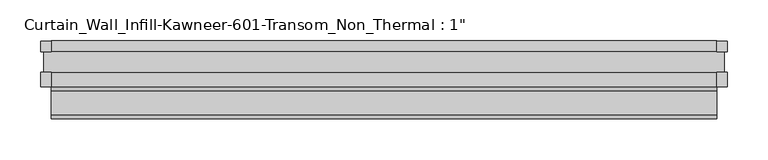
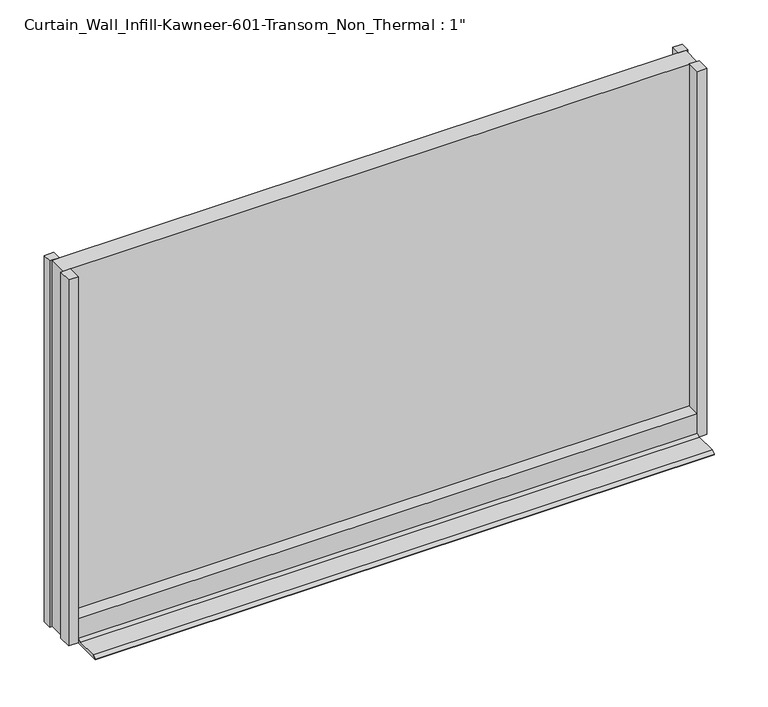
"""IFC4 building model written with IfcOpenShell, lengths in millimetres: plate geometry."""

from ifc_helpers import new_model, si_unit, frame, origin, origin_with_axes, place, context, project, spatial, polyline, outline, extrude, source, transform, mapped, element, save


def plate_39155173(model_context):
    return source(origin(), model_context, "Body", "SweptSolid", [
        extrude(outline(polyline([(406.4, 25.2723869), (419.1, 25.2723869), (419.1, 12.7), (406.4, 12.7), (406.4, 25.2723869)])), origin_with_axes(), (0.0, 0.0, 1.0), 508.21524),
        extrude(outline(polyline([(419.1, -30.2901131), (406.4, -30.2901131), (406.4, -12.7), (419.1, -12.7), (419.1, -30.2901131)])), origin_with_axes(), (0.0, 0.0, 1.0), 508.21524),
        extrude(outline(polyline([(-406.4, 25.2723869), (-406.4, 12.7), (-419.1, 12.7), (-419.1, 25.2723869), (-406.4, 25.2723869)])), origin_with_axes(), (0.0, 0.0, 1.0), 508.21524),
        extrude(outline(polyline([(-419.1, -30.2901131), (-419.1, -12.7), (-406.4, -12.7), (-406.4, -30.2901131), (-419.1, -30.2901131)])), origin_with_axes(), (0.0, 0.0, 1.0), 508.21524),
        extrude(outline(polyline([(12.7, 33.3375), (25.625216, 33.3375), (25.625216, 0.0), (-69.3036182, 0.0), (-69.3036182, 0.963453), (-64.5512788, 3.7072174), (-34.9431706, 3.7072174), (-30.2435382, 6.3122662), (-30.2435382, 33.3375), (-12.7, 33.3375), (-12.7, 23.8125), (12.7, 23.8125), (12.7, 33.3375)])), frame((-406.4, 0.0, 0.0), z_axis=(1.0, 0.0, 0.0), x_axis=(0.0, 1.0, 0.0)), (0.0, 0.0, 1.0), 812.8),
        extrude(outline(polyline([(-415.925, 12.7), (415.925, 12.7), (415.925, -12.7), (-415.925, -12.7), (-415.925, 12.7)])), origin_with_axes(), (0.0, 0.0, 1.0), 508.21524),
    ])


if __name__ == "__main__":
    model = new_model("IFC4")
    model_context = context("Model", 3, world=origin())
    ifc_project = project(units=[si_unit("LENGTHUNIT", "METRE", prefix="MILLI")], contexts=[model_context])
    site = spatial("IfcSite", under=ifc_project)
    building = spatial("IfcBuilding", under=site)
    placement = place(None, origin())
    plate_shape = plate_39155173(model_context)
    element("IfcPlate", 1, ObjectType="Curtain_Wall_Infill-Kawneer-601-Transom_Non_Thermal : 1\"", at=placement, inside=building, context=model_context, shape_type="MappedRepresentation", body=[
        mapped(plate_shape, transform((0.0, 0.0, 0.0), x_axis=(1.0, 0.0, 0.0), y_axis=(0.0, 1.0, 0.0), z_axis=(0.0, 0.0, 1.0))),
    ])
    save(model, "model.ifc")
